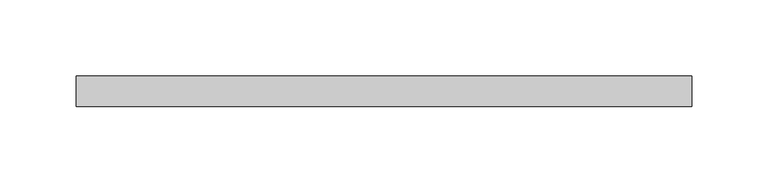
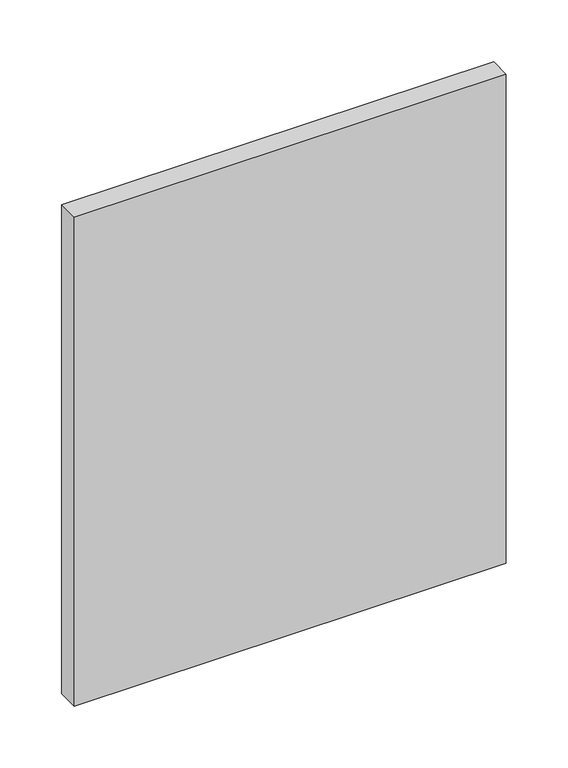
"""IFC4 building model written with IfcOpenShell, lengths in millimetres: plate geometry."""

from ifc_helpers import new_model, si_unit, origin, origin_with_axes, place, context, project, spatial, polyline, outline, extrude, source, transform, mapped, element, save


def plate_f7c824ae(model_context):
    return source(origin(), model_context, "Body", "SweptSolid", [
        extrude(outline(polyline([(201.8421053, -90.0), (-201.8421053, -90.0), (-201.8421053, -70.0), (201.8421053, -70.0), (201.8421053, -90.0)])), origin_with_axes(), (0.0, 0.0, 1.0), 482.7375),
    ])


if __name__ == "__main__":
    model = new_model("IFC4")
    model_context = context("Model", 3, world=origin())
    ifc_project = project(units=[si_unit("LENGTHUNIT", "METRE", prefix="MILLI")], contexts=[model_context])
    site = spatial("IfcSite", under=ifc_project)
    building = spatial("IfcBuilding", under=site)
    placement = place(None, origin())
    plate_shape = plate_f7c824ae(model_context)
    element("IfcPlate", 1, at=placement, inside=building, context=model_context, shape_type="MappedRepresentation", body=[
        mapped(plate_shape, transform((0.0, 0.0, 0.0), x_axis=(1.0, 0.0, 0.0), y_axis=(0.0, 1.0, 0.0), z_axis=(0.0, 0.0, 1.0))),
    ])
    save(model, "model.ifc")
